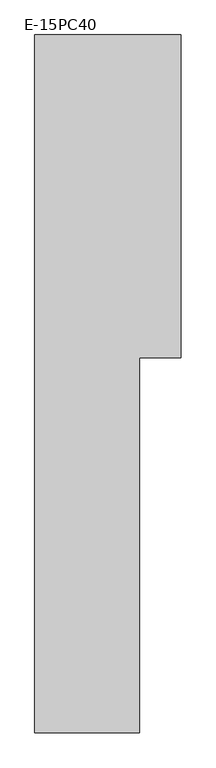
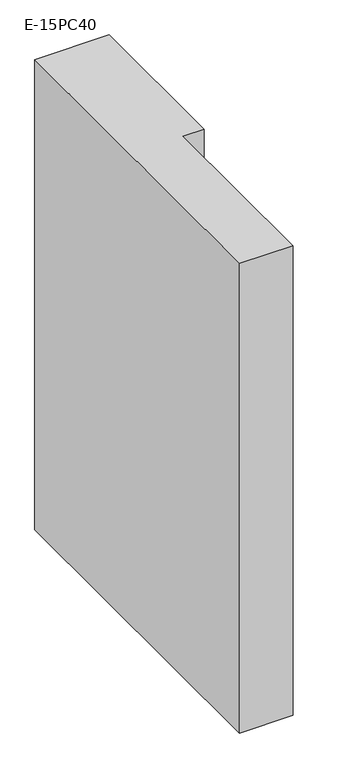
"""IFC4 building model written with IfcOpenShell, lengths in millimetres: column geometry, E-15PC40."""

from ifc_helpers import new_model, si_unit, frame, origin, place, context, project, spatial, polyline, outline, extrude, source, transform, mapped, element, save


def e_15pc40_0ca694ab(model_context):
    return source(origin(), model_context, "Body", "SweptSolid", [
        extrude(outline(polyline([(-250.0, 250.0), (170.0, 250.0), (170.0, -675.0), (50.0, -675.0), (50.0, -1750.0), (-250.0, -1750.0), (-250.0, 250.0)])), frame((0.0, 0.0, 26000.0), z_axis=(0.0, 0.0, 1.0), x_axis=(1.0, 0.0, 0.0)), (0.0, 0.0, 1.0), 2800.0),
    ])


if __name__ == "__main__":
    model = new_model("IFC4")
    model_context = context("Model", 3, world=origin())
    ifc_project = project(units=[si_unit("LENGTHUNIT", "METRE", prefix="MILLI")], contexts=[model_context])
    site = spatial("IfcSite", under=ifc_project)
    building = spatial("IfcBuilding", under=site)
    placement = place(None, origin())
    e_15pc40_shape = e_15pc40_0ca694ab(model_context)
    element("IfcColumn", 1, ObjectType="E-15PC40", at=placement, inside=building, context=model_context, shape_type="MappedRepresentation", body=[
        mapped(e_15pc40_shape, transform((0.0, 0.0, 0.0), x_axis=(1.0, 0.0, 0.0), y_axis=(0.0, 1.0, 0.0), z_axis=(0.0, 0.0, 1.0))),
    ])
    save(model, "model.ifc")
